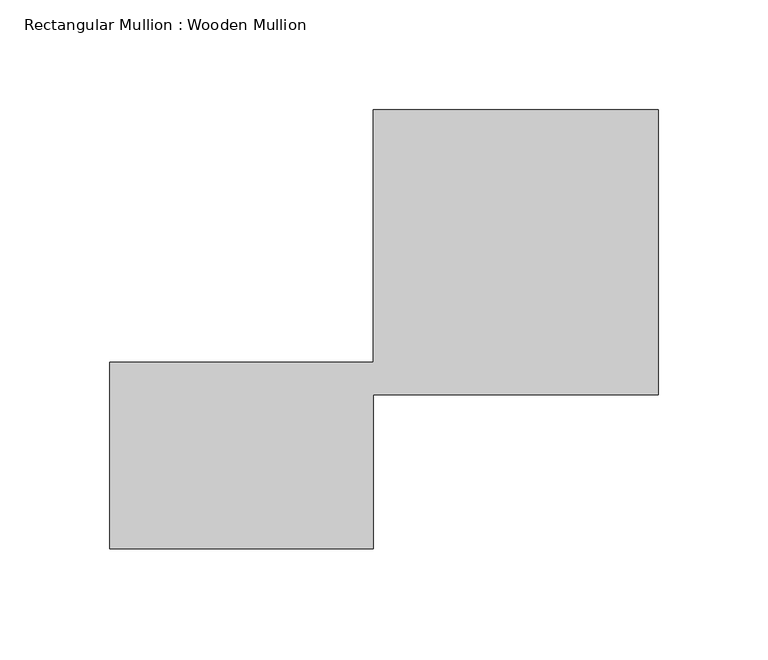
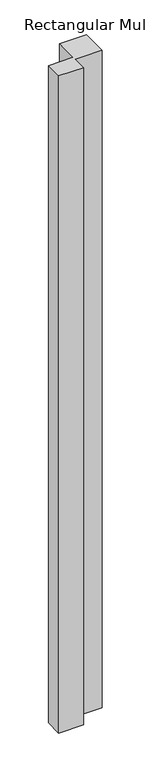
"""IFC4 building model written with IfcOpenShell, lengths in millimetres: member geometry, Rectangular Mullion : Wooden Mullion."""

from ifc_helpers import new_model, si_unit, frame, origin, place, context, project, spatial, polyline, outline, extrude, source, transform, mapped, element, save


def rectangular_mullion_wooden_mullion_8c7ee8bd(model_context):
    return source(origin(), model_context, "Body", "SweptSolid", [
        extrude(outline(polyline([(74.8100006, -26.0137344), (-45.1899994, -26.0137344), (-45.1899994, 58.9862656), (74.8100006, 58.9862656), (74.8100006, 173.9862656), (204.8100006, 173.9862656), (204.8100006, 43.9862656), (74.8100006, 43.9862656), (74.8100006, -26.0137344)])), frame((0.0, 0.0, -3357.0610977), z_axis=(0.0, 0.0, 1.0), x_axis=(1.0, 0.0, 0.0)), (0.0, 0.0, 1.0), 3357.0610977),
    ])


if __name__ == "__main__":
    model = new_model("IFC4")
    model_context = context("Model", 3, world=origin())
    ifc_project = project(units=[si_unit("LENGTHUNIT", "METRE", prefix="MILLI")], contexts=[model_context])
    site = spatial("IfcSite", under=ifc_project)
    building = spatial("IfcBuilding", under=site)
    placement = place(None, origin())
    rectangular_mullion_wooden_mullion_shape = rectangular_mullion_wooden_mullion_8c7ee8bd(model_context)
    element("IfcMember", 1, ObjectType="Rectangular Mullion : Wooden Mullion", at=placement, inside=building, context=model_context, shape_type="MappedRepresentation", body=[
        mapped(rectangular_mullion_wooden_mullion_shape, transform((0.0, 0.0, 0.0), x_axis=(1.0, 0.0, 0.0), y_axis=(0.0, 1.0, 0.0), z_axis=(0.0, 0.0, 1.0))),
    ])
    save(model, "model.ifc")
